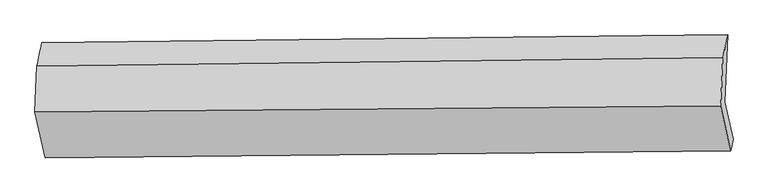
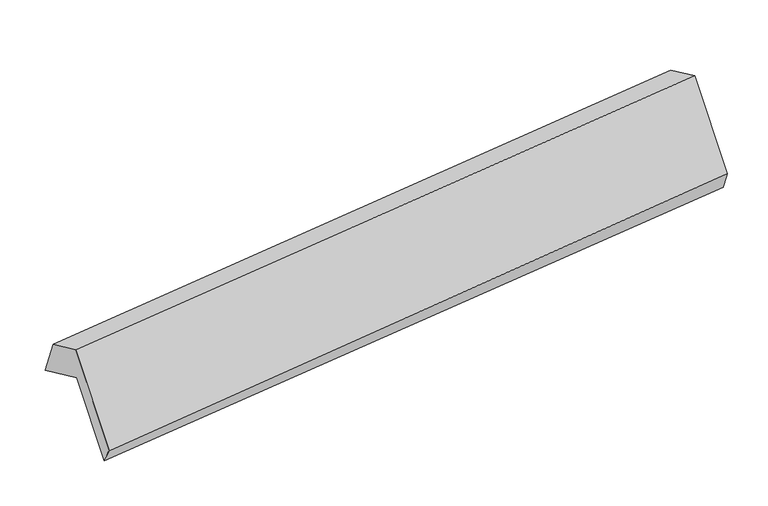
"""IFC4 building model written with IfcOpenShell, lengths in millimetres: proxy geometry."""

from ifc_helpers import new_model, si_unit, frame, origin, place, context, project, spatial, source, transform, mapped, element, save
from ifc_brep_helpers import plane_surface, spline_surface, advanced_brep


def generic_models_61f2d832(model_context):
    return source(origin(), model_context, "Body", "AdvancedBrep", [
        advanced_brep(
        [(-5112.0576111, -1544.6301455, 1806.3161574), (-5093.0357691, -1118.5436403, 1598.8684458), (-616.8605051, -1066.690713, 2083.1887439), (-636.4546437, -1505.5965803, 2296.8777874), (-5056.1596254, -1791.4354078, 1304.516893), (-580.556658, -1752.4018426, 1795.0785231), (-5069.672751, -1872.7735624, 1435.9667152), (-596.0590486, -1824.9568351, 1944.3860855), (-5137.5868378, -1572.9138482, 2045.6351744), (-661.9838704, -1533.880283, 2536.1968044), (-5124.0849359, -1270.4732, 1898.3866237), (-647.7189063, -1214.3471521, 2380.6264778)],
        [
            (0, 1),
            (1, 2),
            (2, 3),
            (3, 0),
            (4, 0),
            (3, 5),
            (5, 4),
            (6, 4),
            (5, 7),
            (7, 6),
            (8, 6),
            (7, 9),
            (9, 8),
            (10, 8),
            (9, 11),
            (11, 10),
            (1, 10),
            (11, 2),
        ],
        [
            plane_surface(frame((-5102.5466901, -1331.5868929, 1702.5923016), z_axis=(0.10167114599822843, -0.43913993399781537, -0.8926472407618821), x_axis=(0.04010636857034278, 0.8983768496585602, -0.43739057511297674))),
            plane_surface(frame((-5084.1086182, -1668.0327766, 1555.4165252), z_axis=(0.04010636857034232, 0.898376849658569, -0.437390575112959), x_axis=(-0.09946324978506062, 0.43915810472052785, 0.8928870146891311))),
            spline_surface(1, 1, [[(-5069.672751, -1872.7735624, 1435.9667152), (-596.0590486, -1824.9568351, 1944.3860855)], [(-5056.1596254, -1791.4354078, 1304.516893), (-580.556658, -1752.4018426, 1795.0785231)]], [2, 2], [2, 2], [0.0, 1.0], [0.0, 1.0]),
            plane_surface(frame((-5103.6297944, -1722.8437053, 1740.8009448), z_axis=(-0.04010636857034397, -0.8983768496585588, 0.43739057511297974), x_axis=(0.09946324978505781, -0.4391581047205487, -0.8928870146891211))),
            plane_surface(frame((-5130.8358868, -1421.6935241, 1972.010899), z_axis=(-0.10167114599822498, 0.43913993399781515, 0.8926472407618825), x_axis=(-0.040106368570342686, -0.8983768496585605, 0.43739057511297647))),
            spline_surface(1, 1, [[(-5093.0357691, -1118.5436403, 1598.8684458), (-616.8605051, -1066.690713, 2083.1887439)], [(-5124.0849359, -1270.4732, 1898.3866237), (-647.7189063, -1214.3471521, 2380.6264778)]], [2, 2], [2, 2], [0.0, 1.0], [0.0, 1.0]),
            plane_surface(frame((-623.272272, -1482.978901, 2172.725737), z_axis=(0.9942326393466947, 0.0076938323232920505, 0.1069685178072807), x_axis=(0.09946324978505781, -0.4391581047205487, -0.8928870146891211))),
            plane_surface(frame((-5098.766255, -1528.461634, 1681.6150016), z_axis=(-0.9942326393466947, -0.007693832323296616, -0.1069685178072801), x_axis=(-0.04010636857034408, -0.8983768496585602, 0.43739057511297674))),
        ],
        [
            (0, [[1, 2, 3, 4]]),
            (1, [[5, -4, 6, 7]]),
            (2, [[8, -7, 9, 10]]),
            (3, [[11, -10, 12, 13]]),
            (4, [[14, -13, 15, 16]]),
            (5, [[17, -16, 18, -2]]),
            (6, [[-12, -9, -6, -3, -18, -15]]),
            (7, [[-1, -5, -8, -11, -14, -17]]),
        ],
    ),
    ])


if __name__ == "__main__":
    model = new_model("IFC4")
    model_context = context("Model", 3, world=origin())
    ifc_project = project(units=[si_unit("LENGTHUNIT", "METRE", prefix="MILLI")], contexts=[model_context])
    site = spatial("IfcSite", under=ifc_project)
    building = spatial("IfcBuilding", under=site)
    placement = place(None, origin())
    generic_models_shape = generic_models_61f2d832(model_context)
    element("IfcBuildingElementProxy", 1, Name="Generic Models", at=placement, inside=building, context=model_context, shape_type="MappedRepresentation", body=[
        mapped(generic_models_shape, transform((0.0, 0.0, 0.0), x_axis=(1.0, 0.0, 0.0), y_axis=(0.0, 1.0, 0.0), z_axis=(0.0, 0.0, 1.0))),
    ])
    save(model, "model.ifc")
